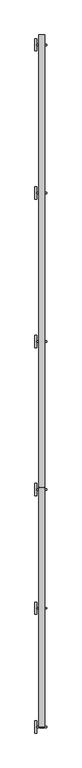
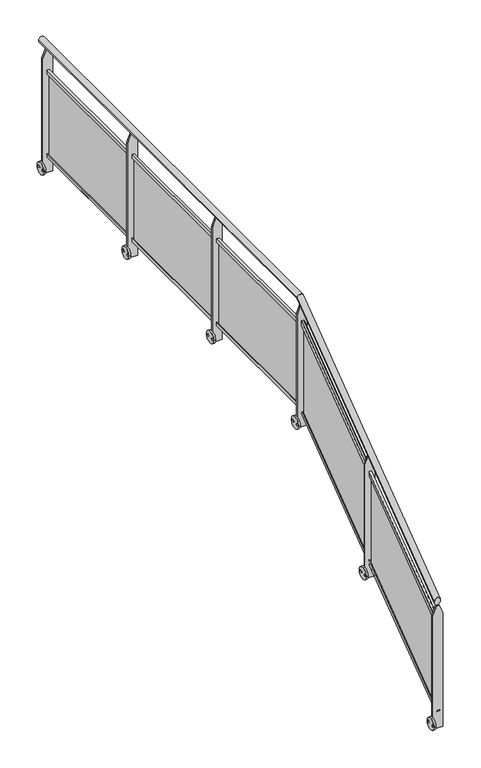
"""IFC4 building model written with IfcOpenShell, lengths in millimetres: railing geometry."""

from ifc_helpers import new_model, si_unit, point, frame, frame_2d, origin, place, context, project, spatial, polyline, circle_curve, ellipse_curve, trimmed, segment, composite_curve, outline, extrude, faceted_brep, source, transform, mapped, element, save
from ifc_brep_helpers import plane_surface, cylinder_surface, advanced_brep


def railing_455e003c(model_context):
    return source(origin(), model_context, "Body", "SolidModel", [
        advanced_brep(
        [(30056.3970847, 758.8773535, 1137.7352387), (30006.3970847, 758.8773535, 1137.7352387), (30006.3970847, 2701.0427821, 2588.6470588), (30056.3970847, 2701.0427821, 2588.6470588), (30056.3970847, 6358.8773535, 2588.6470588), (30006.3970847, 6358.8773535, 2588.6470588)],
        [
            (0, 1, ellipse_curve(frame((30031.3970847, 758.8773535, 1137.7352387), z_axis=(0.0, -1.0, 0.0), x_axis=(0.0, 0.0, -1.0)), 31.2059378, 25.0)),
            (1, 0, ellipse_curve(frame((30031.3970847, 758.8773535, 1137.7352387), z_axis=(0.0, -1.0, 0.0), x_axis=(0.0, 0.0, -1.0)), 31.2059378, 25.0)),
            (1, 2),
            (2, 3, ellipse_curve(frame((30031.3970847, 2701.0427821, 2588.6470588), z_axis=(0.0, -0.9489809231922535, -0.3153334860384772), x_axis=(0.0, 0.31533348603847766, -0.9489809231922534)), 26.3440491, 25.0)),
            (3, 0),
            (3, 2, ellipse_curve(frame((30031.3970847, 2701.0427821, 2588.6470588), z_axis=(0.0, -0.9489809231922535, -0.3153334860384772), x_axis=(0.0, 0.31533348603847766, -0.9489809231922534)), 26.3440491, 25.0)),
            (4, 5, circle_curve(frame((30031.3970847, 6358.8773535, 2588.6470588), z_axis=(0.0, 1.0, 0.0), x_axis=(-1.0, 0.0, 0.0)), 25.0)),
            (5, 4, circle_curve(frame((30031.3970847, 6358.8773535, 2588.6470588), z_axis=(0.0, 1.0, 0.0), x_axis=(-1.0, 0.0, 0.0)), 25.0)),
            (2, 5),
            (4, 3),
        ],
        [
            plane_surface(frame((30031.3970847, 758.8773535, 1168.9411765), z_axis=(0.0, -1.0, 0.0), x_axis=(0.0, 0.0, 1.0))),
            cylinder_surface(frame((30031.3970847, 773.8396267, 1148.9129368), z_axis=(0.0, -0.8011295851656431, -0.5984909253884512), x_axis=(-1.0, 0.0, 0.0)), 25.0),
            plane_surface(frame((30031.3970847, 6358.8773535, 2613.6470588), z_axis=(0.0, 1.0, 0.0), x_axis=(0.0, 0.0, 1.0))),
            cylinder_surface(frame((30031.3970847, 2692.7356212, 2588.6470588), z_axis=(0.0, -1.0, 0.0), x_axis=(-1.0, 0.0, 0.0)), 25.0),
        ],
        [
            (0, [[1, 2]]),
            (1, [[-2, 3, 4, 5]]),
            (1, [[-1, -5, 6, -3]]),
            (2, [[7, 8]]),
            (3, [[-4, 9, -7, 10]]),
            (3, [[-6, -10, -8, -9]]),
        ],
    ),
        extrude(outline(polyline([(1493.6470588, 30071.3970847), (2488.6470588, 30071.3970847), (2563.6470588, 30041.3970847), (2563.6470588, 30021.3970847), (2488.6470588, 29991.3970847), (1493.6470588, 29991.3970847), (1493.6470588, 30071.3970847)])), frame((0.0, 6272.8773535, 0.0), z_axis=(0.0, 1.0, 0.0), x_axis=(0.0, 0.0, 1.0)), (0.0, 0.0, 1.0), 12.0),
        extrude(outline(composite_curve([segment(trimmed(circle_curve(frame_2d((6278.8773535, 1543.6470588)), 50.0), [point((6328.8773535, 1543.6470588))], [point((6228.8773535, 1543.6470588))], False, "CARTESIAN"), True, "CONTINUOUS"), segment(trimmed(circle_curve(frame_2d((6278.8773535, 1543.6470588)), 50.0), [point((6228.8773535, 1543.6470588))], [point((6328.8773535, 1543.6470588))], False, "CARTESIAN"), True, "CONTINUOUS")], self_intersect=False), holes=[composite_curve([segment(trimmed(circle_curve(frame_2d((6309.8773535, 1543.6470588)), 9.0), [point((6318.8773535, 1543.6470588))], [point((6300.8773535, 1543.6470588))], True, "CARTESIAN"), True, "CONTINUOUS"), segment(trimmed(circle_curve(frame_2d((6309.8773535, 1543.6470588)), 9.0), [point((6300.8773535, 1543.6470588))], [point((6318.8773535, 1543.6470588))], True, "CARTESIAN"), True, "CONTINUOUS")], self_intersect=False), composite_curve([segment(trimmed(circle_curve(frame_2d((6247.8773535, 1543.6470588)), 9.0), [point((6256.8773535, 1543.6470588))], [point((6238.8773535, 1543.6470588))], True, "CARTESIAN"), True, "CONTINUOUS"), segment(trimmed(circle_curve(frame_2d((6247.8773535, 1543.6470588)), 9.0), [point((6238.8773535, 1543.6470588))], [point((6256.8773535, 1543.6470588))], True, "CARTESIAN"), True, "CONTINUOUS")], self_intersect=False)]), frame((29976.3970847, 0.0, 0.0), z_axis=(1.0, 0.0, 0.0), x_axis=(0.0, 1.0, 0.0)), (0.0, 0.0, 1.0), 15.0),
        extrude(outline(polyline([(30038.5720847, 5108.8773535), (30030.5720847, 5108.8773535), (30030.5720847, 6248.8773535), (30038.5720847, 6248.8773535), (30038.5720847, 5108.8773535)])), frame((0.0, 0.0, 1653.8585064), z_axis=(0.0, 0.0, 1.0), x_axis=(1.0, 0.0, 0.0)), (0.0, 0.0, 1.0), 699.5771048),
        extrude(outline(polyline([(1628.6470588, 30024.5720847), (1628.6470588, 30044.5720847), (1658.6470588, 30044.5720847), (1658.6470588, 30041.5720847), (1631.6470588, 30041.5720847), (1631.6470588, 30027.5720847), (1658.6470588, 30027.5720847), (1658.6470588, 30024.5720847), (1628.6470588, 30024.5720847)])), frame((0.0, 5084.8773535, 0.0), z_axis=(0.0, 1.0, 0.0), x_axis=(0.0, 0.0, 1.0)), (0.0, 0.0, 1.0), 1188.0),
        extrude(outline(polyline([(2378.6470588, 30024.5720847), (2348.6470588, 30024.5720847), (2348.6470588, 30027.5720847), (2375.6470588, 30027.5720847), (2375.6470588, 30041.5720847), (2348.6470588, 30041.5720847), (2348.6470588, 30044.5720847), (2378.6470588, 30044.5720847), (2378.6470588, 30024.5720847)])), frame((0.0, 5084.8773535, 0.0), z_axis=(0.0, 1.0, 0.0), x_axis=(0.0, 0.0, 1.0)), (0.0, 0.0, 1.0), 1188.0),
        extrude(outline(polyline([(1493.6470588, 30071.3970847), (2488.6470588, 30071.3970847), (2563.6470588, 30041.3970847), (2563.6470588, 30021.3970847), (2488.6470588, 29991.3970847), (1493.6470588, 29991.3970847), (1493.6470588, 30071.3970847)])), frame((0.0, 5072.8773535, 0.0), z_axis=(0.0, 1.0, 0.0), x_axis=(0.0, 0.0, 1.0)), (0.0, 0.0, 1.0), 12.0),
        extrude(outline(composite_curve([segment(trimmed(circle_curve(frame_2d((5078.8773535, 1543.6470588)), 50.0), [point((5128.8773535, 1543.6470588))], [point((5028.8773535, 1543.6470588))], False, "CARTESIAN"), True, "CONTINUOUS"), segment(trimmed(circle_curve(frame_2d((5078.8773535, 1543.6470588)), 50.0), [point((5028.8773535, 1543.6470588))], [point((5128.8773535, 1543.6470588))], False, "CARTESIAN"), True, "CONTINUOUS")], self_intersect=False), holes=[composite_curve([segment(trimmed(circle_curve(frame_2d((5109.8773535, 1543.6470588)), 9.0), [point((5118.8773535, 1543.6470588))], [point((5100.8773535, 1543.6470588))], True, "CARTESIAN"), True, "CONTINUOUS"), segment(trimmed(circle_curve(frame_2d((5109.8773535, 1543.6470588)), 9.0), [point((5100.8773535, 1543.6470588))], [point((5118.8773535, 1543.6470588))], True, "CARTESIAN"), True, "CONTINUOUS")], self_intersect=False), composite_curve([segment(trimmed(circle_curve(frame_2d((5047.8773535, 1543.6470588)), 9.0), [point((5056.8773535, 1543.6470588))], [point((5038.8773535, 1543.6470588))], True, "CARTESIAN"), True, "CONTINUOUS"), segment(trimmed(circle_curve(frame_2d((5047.8773535, 1543.6470588)), 9.0), [point((5038.8773535, 1543.6470588))], [point((5056.8773535, 1543.6470588))], True, "CARTESIAN"), True, "CONTINUOUS")], self_intersect=False)]), frame((29976.3970847, 0.0, 0.0), z_axis=(1.0, 0.0, 0.0), x_axis=(0.0, 1.0, 0.0)), (0.0, 0.0, 1.0), 15.0),
        extrude(outline(polyline([(30038.5720847, 3908.8773535), (30030.5720847, 3908.8773535), (30030.5720847, 5048.8773535), (30038.5720847, 5048.8773535), (30038.5720847, 3908.8773535)])), frame((0.0, 0.0, 1653.8585064), z_axis=(0.0, 0.0, 1.0), x_axis=(1.0, 0.0, 0.0)), (0.0, 0.0, 1.0), 699.5771048),
        extrude(outline(polyline([(1628.6470588, 30024.5720847), (1628.6470588, 30044.5720847), (1658.6470588, 30044.5720847), (1658.6470588, 30041.5720847), (1631.6470588, 30041.5720847), (1631.6470588, 30027.5720847), (1658.6470588, 30027.5720847), (1658.6470588, 30024.5720847), (1628.6470588, 30024.5720847)])), frame((0.0, 3884.8773535, 0.0), z_axis=(0.0, 1.0, 0.0), x_axis=(0.0, 0.0, 1.0)), (0.0, 0.0, 1.0), 1188.0),
        extrude(outline(polyline([(2378.6470588, 30024.5720847), (2348.6470588, 30024.5720847), (2348.6470588, 30027.5720847), (2375.6470588, 30027.5720847), (2375.6470588, 30041.5720847), (2348.6470588, 30041.5720847), (2348.6470588, 30044.5720847), (2378.6470588, 30044.5720847), (2378.6470588, 30024.5720847)])), frame((0.0, 3884.8773535, 0.0), z_axis=(0.0, 1.0, 0.0), x_axis=(0.0, 0.0, 1.0)), (0.0, 0.0, 1.0), 1188.0),
        extrude(outline(polyline([(1493.6470588, 30071.3970847), (2488.6470588, 30071.3970847), (2563.6470588, 30041.3970847), (2563.6470588, 30021.3970847), (2488.6470588, 29991.3970847), (1493.6470588, 29991.3970847), (1493.6470588, 30071.3970847)])), frame((0.0, 3872.8773535, 0.0), z_axis=(0.0, 1.0, 0.0), x_axis=(0.0, 0.0, 1.0)), (0.0, 0.0, 1.0), 12.0),
        extrude(outline(composite_curve([segment(trimmed(circle_curve(frame_2d((3878.8773535, 1543.6470588)), 50.0), [point((3928.8773535, 1543.6470588))], [point((3828.8773535, 1543.6470588))], False, "CARTESIAN"), True, "CONTINUOUS"), segment(trimmed(circle_curve(frame_2d((3878.8773535, 1543.6470588)), 50.0), [point((3828.8773535, 1543.6470588))], [point((3928.8773535, 1543.6470588))], False, "CARTESIAN"), True, "CONTINUOUS")], self_intersect=False), holes=[composite_curve([segment(trimmed(circle_curve(frame_2d((3909.8773535, 1543.6470588)), 9.0), [point((3918.8773535, 1543.6470588))], [point((3900.8773535, 1543.6470588))], True, "CARTESIAN"), True, "CONTINUOUS"), segment(trimmed(circle_curve(frame_2d((3909.8773535, 1543.6470588)), 9.0), [point((3900.8773535, 1543.6470588))], [point((3918.8773535, 1543.6470588))], True, "CARTESIAN"), True, "CONTINUOUS")], self_intersect=False), composite_curve([segment(trimmed(circle_curve(frame_2d((3847.8773535, 1543.6470588)), 9.0), [point((3856.8773535, 1543.6470588))], [point((3838.8773535, 1543.6470588))], True, "CARTESIAN"), True, "CONTINUOUS"), segment(trimmed(circle_curve(frame_2d((3847.8773535, 1543.6470588)), 9.0), [point((3838.8773535, 1543.6470588))], [point((3856.8773535, 1543.6470588))], True, "CARTESIAN"), True, "CONTINUOUS")], self_intersect=False)]), frame((29976.3970847, 0.0, 0.0), z_axis=(1.0, 0.0, 0.0), x_axis=(0.0, 1.0, 0.0)), (0.0, 0.0, 1.0), 15.0),
        extrude(outline(polyline([(30038.5720847, 2708.8773535), (30030.5720847, 2708.8773535), (30030.5720847, 3848.8773535), (30038.5720847, 3848.8773535), (30038.5720847, 2708.8773535)])), frame((0.0, 0.0, 1653.8585064), z_axis=(0.0, 0.0, 1.0), x_axis=(1.0, 0.0, 0.0)), (0.0, 0.0, 1.0), 699.5771048),
        extrude(outline(polyline([(1628.6470588, 30024.5720847), (1628.6470588, 30044.5720847), (1658.6470588, 30044.5720847), (1658.6470588, 30041.5720847), (1631.6470588, 30041.5720847), (1631.6470588, 30027.5720847), (1658.6470588, 30027.5720847), (1658.6470588, 30024.5720847), (1628.6470588, 30024.5720847)])), frame((0.0, 2684.8773535, 0.0), z_axis=(0.0, 1.0, 0.0), x_axis=(0.0, 0.0, 1.0)), (0.0, 0.0, 1.0), 1188.0),
        extrude(outline(polyline([(2378.6470588, 30024.5720847), (2348.6470588, 30024.5720847), (2348.6470588, 30027.5720847), (2375.6470588, 30027.5720847), (2375.6470588, 30041.5720847), (2348.6470588, 30041.5720847), (2348.6470588, 30044.5720847), (2378.6470588, 30044.5720847), (2378.6470588, 30024.5720847)])), frame((0.0, 2684.8773535, 0.0), z_axis=(0.0, 1.0, 0.0), x_axis=(0.0, 0.0, 1.0)), (0.0, 0.0, 1.0), 1188.0),
        faceted_brep([(30071.3970847, 2684.8773535, 1483.2941176), (30071.3970847, 2684.8773535, 2465.8822421), (30071.3970847, 2672.8773535, 2465.8822421), (30071.3970847, 2672.8773535, 1483.2941176), (29991.3970847, 2672.8773535, 1483.2941176), (29991.3970847, 2672.8773535, 2465.8822421), (29991.3970847, 2684.8773535, 2465.8822421), (29991.3970847, 2684.8773535, 1483.2941176), (30043.1900259, 2672.8773535, 2536.3998891), (30019.6041436, 2672.8773535, 2536.3998891), (30039.6041436, 2684.8773535, 2545.364595), (30023.1900259, 2684.8773535, 2545.364595)], [[[0, 1, 2, 3]], [[4, 5, 6, 7]], [[3, 2, 8, 9, 5, 4]], [[8, 10, 11, 9]], [[7, 6, 11, 10, 1, 0]], [[3, 4, 7, 0]], [[5, 9, 11, 6]], [[1, 10, 8, 2]]]),
        extrude(outline(composite_curve([segment(trimmed(circle_curve(frame_2d((2678.8773535, 1533.2941176)), 50.0), [point((2728.8773535, 1533.2941176))], [point((2628.8773535, 1533.2941176))], False, "CARTESIAN"), True, "CONTINUOUS"), segment(trimmed(circle_curve(frame_2d((2678.8773535, 1533.2941176)), 50.0), [point((2628.8773535, 1533.2941176))], [point((2728.8773535, 1533.2941176))], False, "CARTESIAN"), True, "CONTINUOUS")], self_intersect=False), holes=[composite_curve([segment(trimmed(circle_curve(frame_2d((2709.8773535, 1533.2941176)), 9.0), [point((2718.8773535, 1533.2941176))], [point((2700.8773535, 1533.2941176))], True, "CARTESIAN"), True, "CONTINUOUS"), segment(trimmed(circle_curve(frame_2d((2709.8773535, 1533.2941176)), 9.0), [point((2700.8773535, 1533.2941176))], [point((2718.8773535, 1533.2941176))], True, "CARTESIAN"), True, "CONTINUOUS")], self_intersect=False), composite_curve([segment(trimmed(circle_curve(frame_2d((2647.8773535, 1533.2941176)), 9.0), [point((2656.8773535, 1533.2941176))], [point((2638.8773535, 1533.2941176))], True, "CARTESIAN"), True, "CONTINUOUS"), segment(trimmed(circle_curve(frame_2d((2647.8773535, 1533.2941176)), 9.0), [point((2638.8773535, 1533.2941176))], [point((2656.8773535, 1533.2941176))], True, "CARTESIAN"), True, "CONTINUOUS")], self_intersect=False)]), frame((29976.3970847, 0.0, 0.0), z_axis=(1.0, 0.0, 0.0), x_axis=(0.0, 1.0, 0.0)), (0.0, 0.0, 1.0), 15.0),
        extrude(outline(polyline([(1748.8773535, 1696.0470366), (2648.8773535, 2368.3999778), (2648.8773535, 1593.3647281), (1748.8773535, 921.0117869), (1748.8773535, 1696.0470366)])), frame((30030.5720847, 0.0, 0.0), z_axis=(1.0, 0.0, 0.0), x_axis=(0.0, 1.0, 0.0)), (0.0, 0.0, 1.0), 8.0),
        extrude(outline(polyline([(-10.0, 0.0), (10.0, 0.0), (10.0, -30.0), (7.0, -30.0), (7.0, -3.0), (-7.0, -3.0), (-7.0, -30.0), (-10.0, -30.0), (-10.0, 0.0)])), frame((30034.5720847, 1724.8773535, 890.6), z_axis=(0.0, 0.8011295851656431, 0.5984909253884512), x_axis=(1.0, 0.0, 0.0)), (0.0, 0.0, 1.0), 1183.3291612),
        extrude(outline(polyline([(-10.0, 0.0), (-10.0, 30.0000001), (-7.0, 30.0000001), (-7.0, 3.0), (7.0, 3.0), (7.0, 30.0000001), (10.0, 30.0000001), (10.0, 0.0), (-10.0, 0.0)])), frame((30034.5720847, 1724.8773535, 1690.6), z_axis=(0.0, 0.8011295851656393, 0.5984909253884564), x_axis=(1.0, 0.0, 0.0)), (0.0, 0.0, 1.0), 1183.3291612),
        faceted_brep([(30071.3970847, 1724.8773535, 766.1176471), (30071.3970847, 1724.8773535, 1748.7057715), (30071.3970847, 1712.8773535, 1748.7057715), (30071.3970847, 1712.8773535, 766.1176471), (29991.3970847, 1712.8773535, 766.1176471), (29991.3970847, 1712.8773535, 1748.7057715), (29991.3970847, 1724.8773535, 1748.7057715), (29991.3970847, 1724.8773535, 766.1176471), (30043.1900259, 1712.8773535, 1819.2234185), (30019.6041436, 1712.8773535, 1819.2234185), (30039.6041436, 1724.8773535, 1828.1881244), (30023.1900259, 1724.8773535, 1828.1881244)], [[[0, 1, 2, 3]], [[4, 5, 6, 7]], [[3, 2, 8, 9, 5, 4]], [[8, 10, 11, 9]], [[7, 6, 11, 10, 1, 0]], [[3, 4, 7, 0]], [[5, 9, 11, 6]], [[1, 10, 8, 2]]]),
        extrude(outline(composite_curve([segment(trimmed(circle_curve(frame_2d((1718.8773535, 816.1176471)), 50.0), [point((1768.8773535, 816.1176471))], [point((1668.8773535, 816.1176471))], False, "CARTESIAN"), True, "CONTINUOUS"), segment(trimmed(circle_curve(frame_2d((1718.8773535, 816.1176471)), 50.0), [point((1668.8773535, 816.1176471))], [point((1768.8773535, 816.1176471))], False, "CARTESIAN"), True, "CONTINUOUS")], self_intersect=False), holes=[composite_curve([segment(trimmed(circle_curve(frame_2d((1749.8773535, 816.1176471)), 9.0), [point((1758.8773535, 816.1176471))], [point((1740.8773535, 816.1176471))], True, "CARTESIAN"), True, "CONTINUOUS"), segment(trimmed(circle_curve(frame_2d((1749.8773535, 816.1176471)), 9.0), [point((1740.8773535, 816.1176471))], [point((1758.8773535, 816.1176471))], True, "CARTESIAN"), True, "CONTINUOUS")], self_intersect=False), composite_curve([segment(trimmed(circle_curve(frame_2d((1687.8773535, 816.1176471)), 9.0), [point((1696.8773535, 816.1176471))], [point((1678.8773535, 816.1176471))], True, "CARTESIAN"), True, "CONTINUOUS"), segment(trimmed(circle_curve(frame_2d((1687.8773535, 816.1176471)), 9.0), [point((1678.8773535, 816.1176471))], [point((1696.8773535, 816.1176471))], True, "CARTESIAN"), True, "CONTINUOUS")], self_intersect=False)]), frame((29976.3970847, 0.0, 0.0), z_axis=(1.0, 0.0, 0.0), x_axis=(0.0, 1.0, 0.0)), (0.0, 0.0, 1.0), 15.0),
        extrude(outline(polyline([(788.8773535, 978.8705661), (1688.8773535, 1651.2235072), (1688.8773535, 876.1882575), (788.8773535, 203.8353163), (788.8773535, 978.8705661)])), frame((30030.5720847, 0.0, 0.0), z_axis=(1.0, 0.0, 0.0), x_axis=(0.0, 1.0, 0.0)), (0.0, 0.0, 1.0), 8.0),
        extrude(outline(polyline([(-10.0, 0.0), (10.0, 0.0), (10.0, -30.0), (7.0, -30.0), (7.0, -3.0), (-7.0, -3.0), (-7.0, -30.0), (-10.0, -30.0), (-10.0, 0.0)])), frame((30034.5720847, 764.8773535, 173.4235294), z_axis=(0.0, 0.8011295851656431, 0.5984909253884512), x_axis=(1.0, 0.0, 0.0)), (0.0, 0.0, 1.0), 1183.3291612),
        extrude(outline(polyline([(-10.0, 0.0), (-10.0, 30.0), (-7.0, 30.0), (-7.0, 3.0), (7.0, 3.0), (7.0, 30.0), (10.0, 30.0), (10.0, 0.0), (-10.0, 0.0)])), frame((30034.5720847, 764.8773535, 973.4235294), z_axis=(0.0, 0.8011295851656393, 0.5984909253884564), x_axis=(1.0, 0.0, 0.0)), (0.0, 0.0, 1.0), 1183.3291612),
        faceted_brep([(30071.3970847, 764.8773535, 48.9411765), (30071.3970847, 764.8773535, 1031.5293009), (30071.3970847, 752.8773535, 1031.5293009), (30071.3970847, 752.8773535, 48.9411765), (29991.3970847, 752.8773535, 48.9411765), (29991.3970847, 752.8773535, 1031.5293009), (29991.3970847, 764.8773535, 1031.5293009), (29991.3970847, 764.8773535, 48.9411765), (30043.1900259, 752.8773535, 1102.0469479), (30019.6041436, 752.8773535, 1102.0469479), (30039.6041436, 764.8773535, 1111.0116538), (30023.1900259, 764.8773535, 1111.0116538)], [[[0, 1, 2, 3]], [[4, 5, 6, 7]], [[3, 2, 8, 9, 5, 4]], [[8, 10, 11, 9]], [[7, 6, 11, 10, 1, 0]], [[3, 4, 7, 0]], [[5, 9, 11, 6]], [[1, 10, 8, 2]]]),
        extrude(outline(composite_curve([segment(trimmed(circle_curve(frame_2d((758.8773535, 98.9411765)), 50.0), [point((808.8773535, 98.9411765))], [point((708.8773535, 98.9411765))], False, "CARTESIAN"), True, "CONTINUOUS"), segment(trimmed(circle_curve(frame_2d((758.8773535, 98.9411765)), 50.0), [point((708.8773535, 98.9411765))], [point((808.8773535, 98.9411765))], False, "CARTESIAN"), True, "CONTINUOUS")], self_intersect=False), holes=[composite_curve([segment(trimmed(circle_curve(frame_2d((789.8773535, 98.9411765)), 9.0), [point((798.8773535, 98.9411765))], [point((780.8773535, 98.9411765))], True, "CARTESIAN"), True, "CONTINUOUS"), segment(trimmed(circle_curve(frame_2d((789.8773535, 98.9411765)), 9.0), [point((780.8773535, 98.9411765))], [point((798.8773535, 98.9411765))], True, "CARTESIAN"), True, "CONTINUOUS")], self_intersect=False), composite_curve([segment(trimmed(circle_curve(frame_2d((727.8773535, 98.9411765)), 9.0), [point((736.8773535, 98.9411765))], [point((718.8773535, 98.9411765))], True, "CARTESIAN"), True, "CONTINUOUS"), segment(trimmed(circle_curve(frame_2d((727.8773535, 98.9411765)), 9.0), [point((718.8773535, 98.9411765))], [point((736.8773535, 98.9411765))], True, "CARTESIAN"), True, "CONTINUOUS")], self_intersect=False)]), frame((29976.3970847, 0.0, 0.0), z_axis=(1.0, 0.0, 0.0), x_axis=(0.0, 1.0, 0.0)), (0.0, 0.0, 1.0), 15.0),
    ])


if __name__ == "__main__":
    model = new_model("IFC4")
    model_context = context("Model", 3, world=origin())
    ifc_project = project(units=[si_unit("LENGTHUNIT", "METRE", prefix="MILLI")], contexts=[model_context])
    site = spatial("IfcSite", under=ifc_project)
    building = spatial("IfcBuilding", under=site)
    placement = place(None, origin())
    railing_shape = railing_455e003c(model_context)
    element("IfcRailing", 1, at=placement, inside=building, context=model_context, shape_type="MappedRepresentation", body=[
        mapped(railing_shape, transform((0.0, 0.0, 0.0), x_axis=(1.0, 0.0, 0.0), y_axis=(0.0, 1.0, 0.0), z_axis=(0.0, 0.0, 1.0))),
    ])
    save(model, "model.ifc")
